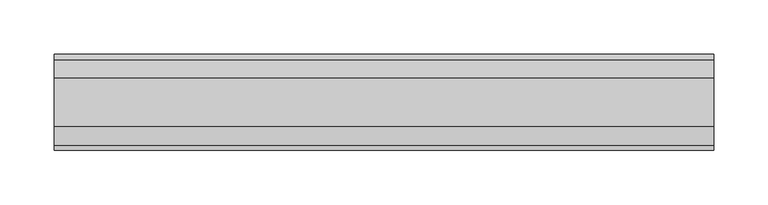
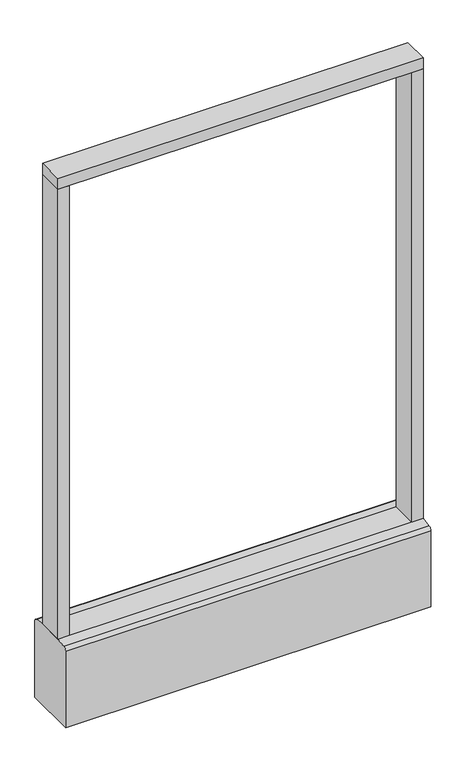
"""IFC4 building model written with IfcOpenShell, lengths in millimetres: furniture geometry."""

from ifc_helpers import new_model, si_unit, point, frame, frame_2d, origin, origin_with_axes, place, context, project, spatial, polyline, circle_curve, trimmed, segment, composite_curve, outline, extrude, source, transform, mapped, element, save


def furniture_2cf67ab5(model_context):
    return source(origin(), model_context, "Body", "SweptSolid", [
        extrude(outline(polyline([(304.8, -22.225), (-304.8, -22.225), (-304.8, 22.225), (304.8, 22.225), (304.8, -22.225)])), frame((0.0, 0.0, 946.15), z_axis=(0.0, 0.0, 1.0), x_axis=(1.0, 0.0, 0.0)), (0.0, 0.0, 1.0), 19.05),
        extrude(outline(composite_curve([segment(trimmed(circle_curve(frame_2d((-228.6, 0.0)), 23.415625), [point((-252.015625, 0.0))], [point((-205.184375, 0.0))], False, "CARTESIAN"), True, "CONTINUOUS"), segment(trimmed(circle_curve(frame_2d((-228.6, 0.0)), 23.415625), [point((-205.184375, 0.0))], [point((-252.015625, 0.0))], False, "CARTESIAN"), True, "CONTINUOUS")], self_intersect=False)), origin_with_axes(), (0.0, 0.0, 1.0), 6.35),
        extrude(outline(composite_curve([segment(trimmed(circle_curve(frame_2d((228.6, 0.0)), 23.415625), [point((205.184375, 0.0))], [point((252.015625, 0.0))], False, "CARTESIAN"), True, "CONTINUOUS"), segment(trimmed(circle_curve(frame_2d((228.6, 0.0)), 23.415625), [point((252.015625, 0.0))], [point((205.184375, 0.0))], False, "CARTESIAN"), True, "CONTINUOUS")], self_intersect=False)), origin_with_axes(), (0.0, 0.0, 1.0), 6.35),
        extrude(outline(polyline([(-285.7500091, -22.225), (-304.8, -22.225), (-304.8, 22.225), (-285.7500091, 22.225), (-285.7500091, -22.225)])), frame((0.0, 0.0, 152.4), z_axis=(0.0, 0.0, 1.0), x_axis=(1.0, 0.0, 0.0)), (0.0, 0.0, 1.0), 793.75),
        extrude(outline(polyline([(304.8, -22.225), (285.7500091, -22.225), (285.7500091, 22.225), (304.8, 22.225), (304.8, -22.225)])), frame((0.0, 0.0, 152.4), z_axis=(0.0, 0.0, 1.0), x_axis=(1.0, 0.0, 0.0)), (0.0, 0.0, 1.0), 793.75),
        extrude(outline(composite_curve([segment(polyline([(-22.225, 152.4), (22.225, 152.4), (39.43219, 149.94183)]), True, "CONTINUOUS"), segment(trimmed(circle_curve(frame_2d((38.605678, 144.1562464)), 5.844322), [point((39.43219, 149.94183))], [point((44.45, 144.1562464))], False, "CARTESIAN"), True, "CONTINUOUS"), segment(polyline([(44.45, 144.1562464), (44.45, 9.525), (-44.4433083, 9.525), (-44.4433083, 144.1572033)]), True, "CONTINUOUS"), segment(trimmed(circle_curve(frame_2d((-38.5989863, 144.1572033)), 5.844322), [point((-44.4433083, 144.1572033))], [point((-39.4222979, 149.9432432))], False, "CARTESIAN"), True, "CONTINUOUS"), segment(polyline([(-39.4222979, 149.9432432), (-22.225, 152.4)]), True, "CONTINUOUS")], self_intersect=False)), frame((-304.8, 0.0, 0.0), z_axis=(1.0, 0.0, 0.0), x_axis=(0.0, 1.0, 0.0)), (0.0, 0.0, 1.0), 609.6),
        extrude(outline(composite_curve([segment(trimmed(circle_curve(frame_2d((-228.6, 0.0)), 5.55625), [point((-234.15625, 0.0))], [point((-223.04375, 0.0))], False, "CARTESIAN"), True, "CONTINUOUS"), segment(trimmed(circle_curve(frame_2d((-228.6, 0.0)), 5.55625), [point((-223.04375, 0.0))], [point((-234.15625, 0.0))], False, "CARTESIAN"), True, "CONTINUOUS")], self_intersect=False)), frame((0.0, 0.0, 6.35), z_axis=(0.0, 0.0, 1.0), x_axis=(1.0, 0.0, 0.0)), (0.0, 0.0, 1.0), 3.175),
        extrude(outline(composite_curve([segment(trimmed(circle_curve(frame_2d((228.6, 0.0)), 5.55625), [point((223.04375, 0.0))], [point((234.15625, 0.0))], False, "CARTESIAN"), True, "CONTINUOUS"), segment(trimmed(circle_curve(frame_2d((228.6, 0.0)), 5.55625), [point((234.15625, 0.0))], [point((223.04375, 0.0))], False, "CARTESIAN"), True, "CONTINUOUS")], self_intersect=False)), frame((0.0, 0.0, 6.35), z_axis=(0.0, 0.0, 1.0), x_axis=(1.0, 0.0, 0.0)), (0.0, 0.0, 1.0), 3.175),
    ])


if __name__ == "__main__":
    model = new_model("IFC4")
    model_context = context("Model", 3, world=origin())
    ifc_project = project(units=[si_unit("LENGTHUNIT", "METRE", prefix="MILLI")], contexts=[model_context])
    site = spatial("IfcSite", under=ifc_project)
    building = spatial("IfcBuilding", under=site)
    placement = place(None, origin())
    furniture_shape = furniture_2cf67ab5(model_context)
    element("IfcFurniture", 1, at=placement, inside=building, context=model_context, shape_type="MappedRepresentation", body=[
        mapped(furniture_shape, transform((0.0, 0.0, 0.0), x_axis=(1.0, 0.0, 0.0), y_axis=(0.0, 1.0, 0.0), z_axis=(0.0, 0.0, 1.0))),
    ])
    save(model, "model.ifc")
